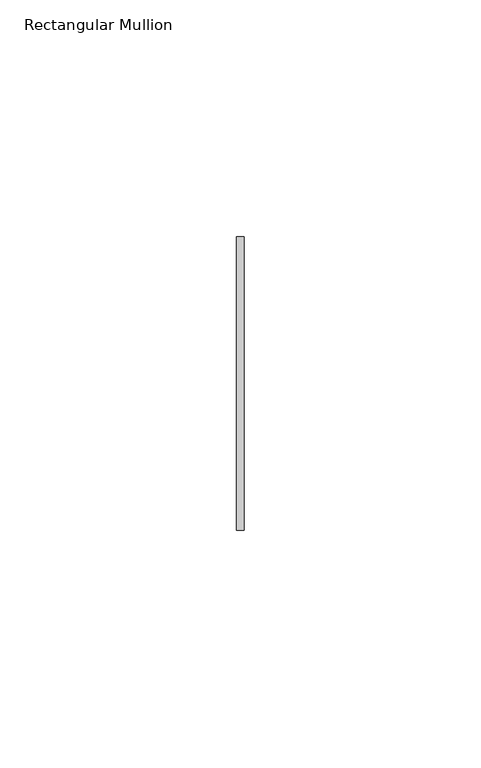
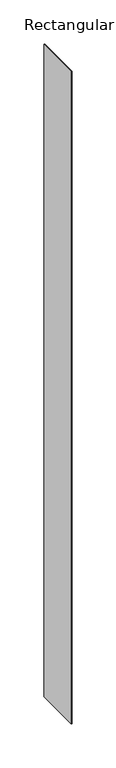
"""IFC4 building model written with IfcOpenShell, lengths in millimetres: member geometry, Rectangular Mullion."""

from ifc_helpers import new_model, si_unit, frame, origin, place, context, project, spatial, polyline, outline, extrude, source, transform, mapped, element, save


def rectangular_mullion_f1a82621(model_context):
    return source(origin(), model_context, "Body", "SweptSolid", [
        extrude(outline(polyline([(0.0, 30.95625), (0.0, -30.95625), (-1.5875, -30.95625), (-1.5875, 30.95625), (0.0, 30.95625)])), frame((0.0, 0.0, -904.875), z_axis=(0.0, 0.0, 1.0), x_axis=(1.0, 0.0, 0.0)), (0.0, 0.0, 1.0), 904.875),
    ])


if __name__ == "__main__":
    model = new_model("IFC4")
    model_context = context("Model", 3, world=origin())
    ifc_project = project(units=[si_unit("LENGTHUNIT", "METRE", prefix="MILLI")], contexts=[model_context])
    site = spatial("IfcSite", under=ifc_project)
    building = spatial("IfcBuilding", under=site)
    placement = place(None, origin())
    rectangular_mullion_shape = rectangular_mullion_f1a82621(model_context)
    element("IfcMember", 1, ObjectType="Rectangular Mullion", at=placement, inside=building, context=model_context, shape_type="MappedRepresentation", body=[
        mapped(rectangular_mullion_shape, transform((0.0, 0.0, 0.0), x_axis=(1.0, 0.0, 0.0), y_axis=(0.0, 1.0, 0.0), z_axis=(0.0, 0.0, 1.0))),
    ])
    save(model, "model.ifc")
